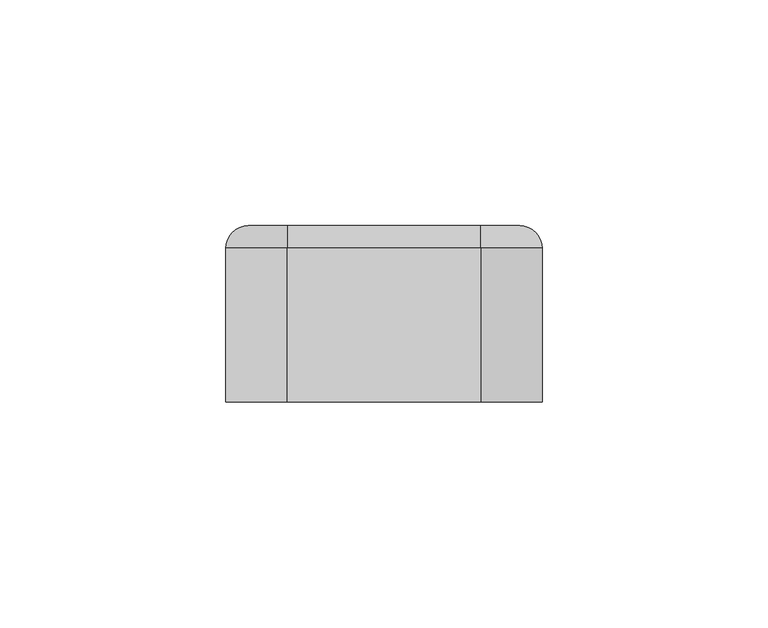
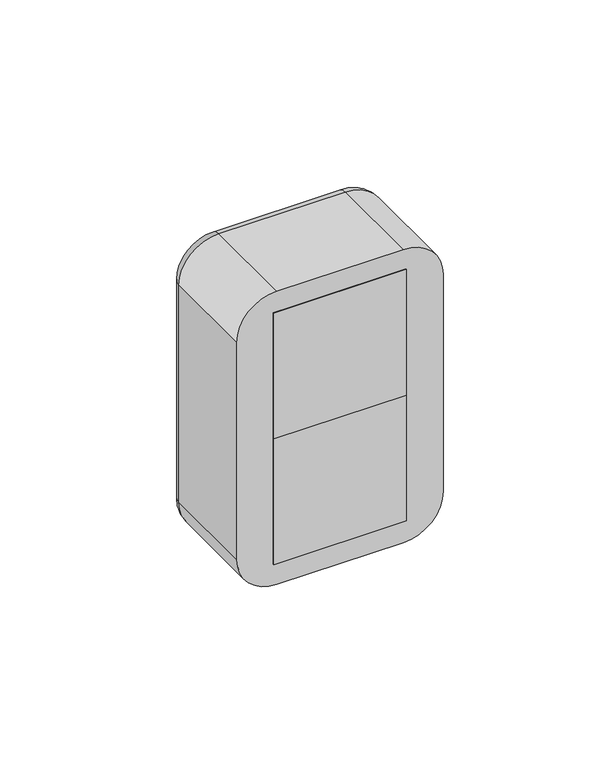
"""IFC4 building model written with IfcOpenShell, lengths in millimetres: proxy geometry."""

from ifc_helpers import new_model, si_unit, point, frame, frame_2d, origin, origin_with_axes, place, context, project, spatial, polyline, circle_curve, ellipse_curve, trimmed, segment, composite_curve, outline, extrude, source, transform, mapped, element, save
from ifc_brep_helpers import plane_surface, cylinder_surface, revolved_surface, advanced_brep


def electrical_fixtures_47eabe54(model_context):
    return source(origin(), model_context, "Body", "SolidModel", [
        advanced_brep(
        [(22.5, 39.0, 45.0), (22.5, 39.0, 0.0), (-22.5, 39.0, 0.0), (-22.5, 39.0, 45.0), (-18.0, 39.0, 22.5), (18.0, 39.0, 22.5), (22.5, 31.0, 45.0), (-22.5, 31.0, 45.0), (-22.5, 31.0, 0.0), (22.5, 31.0, 0.0), (-7.0, 31.0, 22.5), (-12.0, 31.0, 22.5), (12.0, 31.0, 22.5), (7.0, 31.0, 22.5), (-18.0, 32.0, 22.5), (18.0, 32.0, 22.5), (-12.0, 32.0, 22.5), (-7.0, 32.0, 22.5), (7.0, 32.0, 22.5), (12.0, 32.0, 22.5)],
        [
            (0, 1),
            (1, 2),
            (2, 3),
            (3, 0),
            (4, 5, circle_curve(frame((0.0, 39.0, 22.5), z_axis=(0.0, -1.0, 0.0), x_axis=(1.0, 0.0, 0.0)), 18.0)),
            (5, 4, circle_curve(frame((0.0, 39.0, 22.5), z_axis=(0.0, -1.0, 0.0), x_axis=(1.0, 0.0, 0.0)), 18.0)),
            (6, 7),
            (7, 8),
            (8, 9),
            (9, 6),
            (10, 11, circle_curve(frame((-9.5, 31.0, 22.5), z_axis=(0.0, 1.0, 0.0), x_axis=(1.0, 0.0, 0.0)), 2.5)),
            (11, 10, circle_curve(frame((-9.5, 31.0, 22.5), z_axis=(0.0, 1.0, 0.0), x_axis=(1.0, 0.0, 0.0)), 2.5)),
            (12, 13, circle_curve(frame((9.5, 31.0, 22.5), z_axis=(0.0, 1.0, 0.0), x_axis=(1.0, 0.0, 0.0)), 2.5)),
            (13, 12, circle_curve(frame((9.5, 31.0, 22.5), z_axis=(0.0, 1.0, 0.0), x_axis=(1.0, 0.0, 0.0)), 2.5)),
            (3, 7),
            (6, 0),
            (2, 8),
            (1, 9),
            (14, 15, circle_curve(frame((0.0, 32.0, 22.5), z_axis=(0.0, 1.0, 0.0), x_axis=(1.0, 0.0, 0.0)), 18.0)),
            (15, 14, circle_curve(frame((0.0, 32.0, 22.5), z_axis=(0.0, 1.0, 0.0), x_axis=(1.0, 0.0, 0.0)), 18.0)),
            (16, 17, circle_curve(frame((-9.5, 32.0, 22.5), z_axis=(0.0, -1.0, 0.0), x_axis=(1.0, 0.0, 0.0)), 2.5)),
            (17, 16, circle_curve(frame((-9.5, 32.0, 22.5), z_axis=(0.0, -1.0, 0.0), x_axis=(1.0, 0.0, 0.0)), 2.5)),
            (18, 19, circle_curve(frame((9.5, 32.0, 22.5), z_axis=(0.0, -1.0, 0.0), x_axis=(1.0, 0.0, 0.0)), 2.5)),
            (19, 18, circle_curve(frame((9.5, 32.0, 22.5), z_axis=(0.0, -1.0, 0.0), x_axis=(1.0, 0.0, 0.0)), 2.5)),
            (15, 5),
            (4, 14),
            (10, 17),
            (16, 11),
            (12, 19),
            (18, 13),
        ],
        [
            plane_surface(frame((-39.0, 39.0, 45.0), z_axis=(0.0, 1.0, 0.0), x_axis=(1.0, 0.0, 0.0))),
            plane_surface(frame((-39.0, 31.0, 45.0), z_axis=(0.0, -1.0, 0.0), x_axis=(-1.0, 0.0, 0.0))),
            plane_surface(frame((22.5, 31.0, 45.0), z_axis=(0.0, 0.0, 1.0), x_axis=(0.0, 1.0, 0.0))),
            plane_surface(frame((-22.5, 31.0, 45.0), z_axis=(-1.0, 0.0, 0.0), x_axis=(0.0, 1.0, 0.0))),
            plane_surface(frame((-22.5, 31.0, 0.0), z_axis=(0.0, 0.0, -1.0), x_axis=(0.0, 1.0, 0.0))),
            plane_surface(frame((22.5, 31.0, 0.0), z_axis=(1.0, 0.0, 0.0), x_axis=(0.0, 1.0, 0.0))),
            plane_surface(frame((18.0, 32.0, 22.5), z_axis=(0.0, 1.0, 0.0), x_axis=(0.0, 0.0, 1.0))),
            revolved_surface(polyline([(18.0, 32.0, 22.5), (18.0, 39.0, 22.5)]), (0.0, 39.0, 22.5), (0.0, -1.0, 0.0)),
            revolved_surface(polyline([(-7.0, 31.0, 22.5), (-7.0, 32.0, 22.5)]), (-9.5, 32.0, 22.5), (0.0, -1.0, 0.0)),
            revolved_surface(polyline([(12.0, 31.0, 22.5), (12.0, 32.0, 22.5)]), (9.5, 31.0, 22.5), (0.0, -1.0, 0.0)),
        ],
        [
            (0, [[1, 2, 3, 4], [5, 6]]),
            (1, [[7, 8, 9, 10], [11, 12], [13, 14]]),
            (2, [[-4, 15, -7, 16]]),
            (3, [[-3, 17, -8, -15]]),
            (4, [[-2, 18, -9, -17]]),
            (5, [[-1, -16, -10, -18]]),
            (6, [[19, 20], [21, 22], [23, 24]]),
            (7, [[-20, 25, -5, 26]]),
            (7, [[-19, -26, -6, -25]]),
            (8, [[27, -21, 28, -11]]),
            (8, [[-27, -12, -28, -22]]),
            (9, [[29, -23, 30, -13]]),
            (9, [[-29, -14, -30, -24]]),
        ],
    ),
        extrude(outline(polyline([(22.5, 0.0), (-22.5, 0.0), (-22.5, 31.0), (22.5, 31.0), (22.5, 0.0)])), origin_with_axes(), (0.0, 0.0, 1.0), 45.0),
        extrude(outline(composite_curve([segment(polyline([(6.5, -1.5), (4.5626089, -1.5)]), True, "CONTINUOUS"), segment(trimmed(circle_curve(frame_2d((22.5, 0.0)), 18.0), [point((4.5626089, -1.5))], [point((4.5626089, 1.5))], False, "CARTESIAN"), True, "CONTINUOUS"), segment(polyline([(4.5626089, 1.5), (6.5, 1.5), (6.5, -1.5)]), True, "CONTINUOUS")], self_intersect=False)), frame((0.0, 32.0, 0.0), z_axis=(0.0, 1.0, 0.0), x_axis=(0.0, 0.0, 1.0)), (0.0, 0.0, 1.0), 6.0),
        extrude(outline(composite_curve([segment(polyline([(38.5, -1.5), (38.5, 1.5), (40.4373911, 1.5)]), True, "CONTINUOUS"), segment(trimmed(circle_curve(frame_2d((22.5, 0.0)), 18.0), [point((40.4373911, 1.5))], [point((40.4373911, -1.5))], False, "CARTESIAN"), True, "CONTINUOUS"), segment(polyline([(40.4373911, -1.5), (38.5, -1.5)]), True, "CONTINUOUS")], self_intersect=False)), frame((0.0, 32.0, 0.0), z_axis=(0.0, 1.0, 0.0), x_axis=(0.0, 0.0, 1.0)), (0.0, 0.0, 1.0), 6.0),
        extrude(outline(composite_curve([segment(polyline([(30.7462113, 16.0), (24.5, 16.0), (24.5, 17.8885438)]), True, "CONTINUOUS"), segment(trimmed(circle_curve(frame_2d((22.5, 0.0)), 18.0), [point((24.5, 17.8885438))], [point((30.7462113, 16.0))], False, "CARTESIAN"), True, "CONTINUOUS")], self_intersect=False)), frame((0.0, 32.0, 0.0), z_axis=(0.0, 1.0, 0.0), x_axis=(0.0, 0.0, 1.0)), (0.0, 0.0, 1.0), 6.0),
        extrude(outline(composite_curve([segment(trimmed(circle_curve(frame_2d((22.5, 0.0)), 18.0), [point((14.2537887, 16.0))], [point((20.5, 17.8885438))], False, "CARTESIAN"), True, "CONTINUOUS"), segment(polyline([(20.5, 17.8885438), (20.5, 16.0), (14.2537887, 16.0)]), True, "CONTINUOUS")], self_intersect=False)), frame((0.0, 32.0, 0.0), z_axis=(0.0, 1.0, 0.0), x_axis=(0.0, 0.0, 1.0)), (0.0, 0.0, 1.0), 6.0),
        extrude(outline(composite_curve([segment(polyline([(14.2537887, -16.0), (20.5, -16.0), (20.5, -17.8885438)]), True, "CONTINUOUS"), segment(trimmed(circle_curve(frame_2d((22.5, 0.0)), 18.0), [point((20.5, -17.8885438))], [point((14.2537887, -16.0))], False, "CARTESIAN"), True, "CONTINUOUS")], self_intersect=False)), frame((0.0, 32.0, 0.0), z_axis=(0.0, 1.0, 0.0), x_axis=(0.0, 0.0, 1.0)), (0.0, 0.0, 1.0), 6.0),
        extrude(outline(composite_curve([segment(trimmed(circle_curve(frame_2d((22.5, 0.0)), 18.0), [point((30.7462113, -16.0))], [point((24.5, -17.8885438))], False, "CARTESIAN"), True, "CONTINUOUS"), segment(polyline([(24.5, -17.8885438), (24.5, -16.0), (30.7462113, -16.0)]), True, "CONTINUOUS")], self_intersect=False)), frame((0.0, 32.0, 0.0), z_axis=(0.0, 1.0, 0.0), x_axis=(0.0, 0.0, 1.0)), (0.0, 0.0, 1.0), 6.0),
        advanced_brep(
        [(22.5, 39.0, 0.0), (22.5, 39.0, -45.0), (-22.5, 39.0, -45.0), (-22.5, 39.0, 0.0), (-18.0, 39.0, -22.5), (18.0, 39.0, -22.5), (22.5, 31.0, 0.0), (-22.5, 31.0, 0.0), (-22.5, 31.0, -45.0), (22.5, 31.0, -45.0), (-7.0, 31.0, -22.5), (-12.0, 31.0, -22.5), (12.0, 31.0, -22.5), (7.0, 31.0, -22.5), (-18.0, 32.0, -22.5), (18.0, 32.0, -22.5), (-12.0, 32.0, -22.5), (-7.0, 32.0, -22.5), (7.0, 32.0, -22.5), (12.0, 32.0, -22.5)],
        [
            (0, 1),
            (1, 2),
            (2, 3),
            (3, 0),
            (4, 5, circle_curve(frame((0.0, 39.0, -22.5), z_axis=(0.0, -1.0, 0.0), x_axis=(1.0, 0.0, 0.0)), 18.0)),
            (5, 4, circle_curve(frame((0.0, 39.0, -22.5), z_axis=(0.0, -1.0, 0.0), x_axis=(1.0, 0.0, 0.0)), 18.0)),
            (6, 7),
            (7, 8),
            (8, 9),
            (9, 6),
            (10, 11, circle_curve(frame((-9.5, 31.0, -22.5), z_axis=(0.0, 1.0, 0.0), x_axis=(1.0, 0.0, 0.0)), 2.5)),
            (11, 10, circle_curve(frame((-9.5, 31.0, -22.5), z_axis=(0.0, 1.0, 0.0), x_axis=(1.0, 0.0, 0.0)), 2.5)),
            (12, 13, circle_curve(frame((9.5, 31.0, -22.5), z_axis=(0.0, 1.0, 0.0), x_axis=(1.0, 0.0, 0.0)), 2.5)),
            (13, 12, circle_curve(frame((9.5, 31.0, -22.5), z_axis=(0.0, 1.0, 0.0), x_axis=(1.0, 0.0, 0.0)), 2.5)),
            (3, 7),
            (6, 0),
            (2, 8),
            (1, 9),
            (14, 15, circle_curve(frame((0.0, 32.0, -22.5), z_axis=(0.0, 1.0, 0.0), x_axis=(1.0, 0.0, 0.0)), 18.0)),
            (15, 14, circle_curve(frame((0.0, 32.0, -22.5), z_axis=(0.0, 1.0, 0.0), x_axis=(1.0, 0.0, 0.0)), 18.0)),
            (16, 17, circle_curve(frame((-9.5, 32.0, -22.5), z_axis=(0.0, -1.0, 0.0), x_axis=(1.0, 0.0, 0.0)), 2.5)),
            (17, 16, circle_curve(frame((-9.5, 32.0, -22.5), z_axis=(0.0, -1.0, 0.0), x_axis=(1.0, 0.0, 0.0)), 2.5)),
            (18, 19, circle_curve(frame((9.5, 32.0, -22.5), z_axis=(0.0, -1.0, 0.0), x_axis=(1.0, 0.0, 0.0)), 2.5)),
            (19, 18, circle_curve(frame((9.5, 32.0, -22.5), z_axis=(0.0, -1.0, 0.0), x_axis=(1.0, 0.0, 0.0)), 2.5)),
            (15, 5),
            (4, 14),
            (10, 17),
            (16, 11),
            (12, 19),
            (18, 13),
        ],
        [
            plane_surface(frame((-39.0, 39.0, 0.0), z_axis=(0.0, 1.0, 0.0), x_axis=(1.0, 0.0, 0.0))),
            plane_surface(frame((-39.0, 31.0, 0.0), z_axis=(0.0, -1.0, 0.0), x_axis=(-1.0, 0.0, 0.0))),
            plane_surface(frame((22.5, 31.0, 0.0), z_axis=(0.0, 0.0, 1.0), x_axis=(0.0, 1.0, 0.0))),
            plane_surface(frame((-22.5, 31.0, 0.0), z_axis=(-1.0, 0.0, 0.0), x_axis=(0.0, 1.0, 0.0))),
            plane_surface(frame((-22.5, 31.0, -45.0), z_axis=(0.0, 0.0, -1.0), x_axis=(0.0, 1.0, 0.0))),
            plane_surface(frame((22.5, 31.0, -45.0), z_axis=(1.0, 0.0, 0.0), x_axis=(0.0, 1.0, 0.0))),
            plane_surface(frame((18.0, 32.0, -22.5), z_axis=(0.0, 1.0, 0.0), x_axis=(0.0, 0.0, 1.0))),
            revolved_surface(polyline([(18.0, 32.0, -22.5), (18.0, 39.0, -22.5)]), (0.0, 39.0, -22.5), (0.0, -1.0, 0.0)),
            revolved_surface(polyline([(-7.0, 31.0, -22.5), (-7.0, 32.0, -22.5)]), (-9.5, 32.0, -22.5), (0.0, -1.0, 0.0)),
            revolved_surface(polyline([(12.0, 31.0, -22.5), (12.0, 32.0, -22.5)]), (9.5, 31.0, -22.5), (0.0, -1.0, 0.0)),
        ],
        [
            (0, [[1, 2, 3, 4], [5, 6]]),
            (1, [[7, 8, 9, 10], [11, 12], [13, 14]]),
            (2, [[-4, 15, -7, 16]]),
            (3, [[-3, 17, -8, -15]]),
            (4, [[-2, 18, -9, -17]]),
            (5, [[-1, -16, -10, -18]]),
            (6, [[19, 20], [21, 22], [23, 24]]),
            (7, [[-20, 25, -5, 26]]),
            (7, [[-19, -26, -6, -25]]),
            (8, [[27, -21, 28, -11]]),
            (8, [[-27, -12, -28, -22]]),
            (9, [[29, -23, 30, -13]]),
            (9, [[-29, -14, -30, -24]]),
        ],
    ),
        extrude(outline(polyline([(22.5, 0.0), (-22.5, 0.0), (-22.5, 31.0), (22.5, 31.0), (22.5, 0.0)])), frame((0.0, 0.0, -45.0), z_axis=(0.0, 0.0, 1.0), x_axis=(1.0, 0.0, 0.0)), (0.0, 0.0, 1.0), 45.0),
        extrude(outline(composite_curve([segment(polyline([(-38.5, -1.5), (-40.4373911, -1.5)]), True, "CONTINUOUS"), segment(trimmed(circle_curve(frame_2d((-22.5, 0.0)), 18.0), [point((-40.4373911, -1.5))], [point((-40.4373911, 1.5))], False, "CARTESIAN"), True, "CONTINUOUS"), segment(polyline([(-40.4373911, 1.5), (-38.5, 1.5), (-38.5, -1.5)]), True, "CONTINUOUS")], self_intersect=False)), frame((0.0, 32.0, 0.0), z_axis=(0.0, 1.0, 0.0), x_axis=(0.0, 0.0, 1.0)), (0.0, 0.0, 1.0), 6.0),
        extrude(outline(composite_curve([segment(polyline([(-6.5, -1.5), (-6.5, 1.5), (-4.5626089, 1.5)]), True, "CONTINUOUS"), segment(trimmed(circle_curve(frame_2d((-22.5, 0.0)), 18.0), [point((-4.5626089, 1.5))], [point((-4.5626089, -1.5))], False, "CARTESIAN"), True, "CONTINUOUS"), segment(polyline([(-4.5626089, -1.5), (-6.5, -1.5)]), True, "CONTINUOUS")], self_intersect=False)), frame((0.0, 32.0, 0.0), z_axis=(0.0, 1.0, 0.0), x_axis=(0.0, 0.0, 1.0)), (0.0, 0.0, 1.0), 6.0),
        extrude(outline(composite_curve([segment(polyline([(-14.2537887, 16.0), (-20.5, 16.0), (-20.5, 17.8885438)]), True, "CONTINUOUS"), segment(trimmed(circle_curve(frame_2d((-22.5, 0.0)), 18.0), [point((-20.5, 17.8885438))], [point((-14.2537887, 16.0))], False, "CARTESIAN"), True, "CONTINUOUS")], self_intersect=False)), frame((0.0, 32.0, 0.0), z_axis=(0.0, 1.0, 0.0), x_axis=(0.0, 0.0, 1.0)), (0.0, 0.0, 1.0), 6.0),
        extrude(outline(composite_curve([segment(trimmed(circle_curve(frame_2d((-22.5, 0.0)), 18.0), [point((-30.7462113, 16.0))], [point((-24.5, 17.8885438))], False, "CARTESIAN"), True, "CONTINUOUS"), segment(polyline([(-24.5, 17.8885438), (-24.5, 16.0), (-30.7462113, 16.0)]), True, "CONTINUOUS")], self_intersect=False)), frame((0.0, 32.0, 0.0), z_axis=(0.0, 1.0, 0.0), x_axis=(0.0, 0.0, 1.0)), (0.0, 0.0, 1.0), 6.0),
        extrude(outline(composite_curve([segment(polyline([(-30.7462113, -16.0), (-24.5, -16.0), (-24.5, -17.8885438)]), True, "CONTINUOUS"), segment(trimmed(circle_curve(frame_2d((-22.5, 0.0)), 18.0), [point((-24.5, -17.8885438))], [point((-30.7462113, -16.0))], False, "CARTESIAN"), True, "CONTINUOUS")], self_intersect=False)), frame((0.0, 32.0, 0.0), z_axis=(0.0, 1.0, 0.0), x_axis=(0.0, 0.0, 1.0)), (0.0, 0.0, 1.0), 6.0),
        extrude(outline(composite_curve([segment(trimmed(circle_curve(frame_2d((-22.5, 0.0)), 18.0), [point((-14.2537887, -16.0))], [point((-20.5, -17.8885438))], False, "CARTESIAN"), True, "CONTINUOUS"), segment(polyline([(-20.5, -17.8885438), (-20.5, -16.0), (-14.2537887, -16.0)]), True, "CONTINUOUS")], self_intersect=False)), frame((0.0, 32.0, 0.0), z_axis=(0.0, 1.0, 0.0), x_axis=(0.0, 0.0, 1.0)), (0.0, 0.0, 1.0), 6.0),
        advanced_brep(
        [(21.4328665, 39.0, 47.5), (30.0, 39.0, 38.9328665), (30.0, 39.0, -38.9328665), (21.4328665, 39.0, -47.5), (-21.4328665, 39.0, -47.5), (-30.0, 39.0, -38.9328665), (-30.0, 39.0, 38.9328665), (-21.4328665, 39.0, 47.5), (22.5, 39.0, 45.0), (-22.5, 39.0, 45.0), (-22.5, 39.0, -45.0), (22.5, 39.0, -45.0), (-21.4328665, 0.0, 52.5), (-35.0, 0.0, 38.9328665), (-35.0, 0.0, -38.9328665), (-21.4328665, 0.0, -52.5), (21.4328665, 0.0, -52.5), (35.0, 0.0, -38.9328665), (35.0, 0.0, 38.9328665), (21.4328665, 0.0, 52.5), (22.5, 2.0, -45.0), (22.5, 2.0, 45.0), (-22.5, 2.0, -45.0), (-22.5, 2.0, 45.0), (-35.0, 34.0, 38.9328665), (-35.0, 34.0, -38.9328665), (-21.4328665, 34.0, -52.5), (21.4328665, 34.0, -52.5), (35.0, 34.0, -38.9328665), (35.0, 34.0, 38.9328665), (21.4328665, 34.0000072, 52.5), (-21.4328665, 34.0, 52.5)],
        [
            (0, 1, circle_curve(frame((21.4328665, 39.0, 38.9328665), z_axis=(0.0, 1.0, 0.0), x_axis=(0.0, 0.0, 1.0)), 8.5671335)),
            (1, 2),
            (2, 3, circle_curve(frame((21.4328665, 39.0, -38.9328665), z_axis=(0.0, 1.0, 0.0), x_axis=(1.0, 0.0, 0.0)), 8.5671335)),
            (3, 4),
            (4, 5, circle_curve(frame((-21.4328665, 39.0, -38.9328665), z_axis=(0.0, 1.0, 0.0), x_axis=(0.0, 0.0, -1.0)), 8.5671335)),
            (5, 6),
            (6, 7, circle_curve(frame((-21.4328665, 39.0, 38.9328665), z_axis=(0.0, 1.0, 0.0), x_axis=(-1.0, 0.0, 0.0)), 8.5671335)),
            (7, 0),
            (8, 9),
            (9, 10),
            (10, 11),
            (11, 8),
            (12, 13, circle_curve(frame((-21.4328665, 0.0, 38.9328665), z_axis=(0.0, -1.0, 0.0), x_axis=(1.0, 0.0, 0.0)), 13.5671335)),
            (13, 14),
            (14, 15, circle_curve(frame((-21.4328665, 0.0, -38.9328665), z_axis=(0.0, -1.0, 0.0), x_axis=(1.0, 0.0, 0.0)), 13.5671335)),
            (15, 16),
            (16, 17, circle_curve(frame((21.4328665, 0.0, -38.9328665), z_axis=(0.0, -1.0, 0.0), x_axis=(1.0, 0.0, 0.0)), 13.5671335)),
            (17, 18),
            (18, 19, circle_curve(frame((21.4328665, 0.0, 38.9328665), z_axis=(0.0, -1.0, 0.0), x_axis=(1.0, 0.0, 0.0)), 13.5671335)),
            (19, 12),
            (11, 20),
            (20, 21),
            (21, 8),
            (10, 22),
            (22, 20),
            (9, 23),
            (23, 22),
            (21, 23),
            (13, 24),
            (24, 25),
            (25, 14),
            (15, 26),
            (26, 27),
            (27, 16),
            (17, 28),
            (28, 29),
            (29, 18),
            (19, 30),
            (30, 31),
            (31, 12),
            (31, 24, circle_curve(frame((-21.4328665, 34.0, 38.9328665), z_axis=(0.0, -1.0, 0.0), x_axis=(1.0, 0.0, 0.0)), 13.5671335)),
            (25, 26, circle_curve(frame((-21.4328665, 34.0, -38.9328665), z_axis=(0.0, -1.0, 0.0), x_axis=(1.0, 0.0, 0.0)), 13.5671335)),
            (27, 28, circle_curve(frame((21.4328665, 34.0, -38.9328665), z_axis=(0.0, -1.0, 0.0), x_axis=(1.0, 0.0, 0.0)), 13.5671335)),
            (29, 30, circle_curve(frame((21.4328665, 34.0, 38.9328665), z_axis=(0.0, -1.0, 0.0), x_axis=(1.0, 0.0, 0.0)), 13.5671335)),
            (29, 1, circle_curve(frame((30.0, 34.0, 38.9328665), z_axis=(0.0, 0.0, 1.0), x_axis=(0.0, 1.0, 0.0)), 5.0)),
            (0, 30, circle_curve(frame((21.4328665, 34.0, 47.5), z_axis=(1.0, 0.0, 0.0), x_axis=(0.0, 1.0, 0.0)), 5.0)),
            (28, 2, circle_curve(frame((30.0, 34.0, -38.9328665), z_axis=(0.0, 0.0, 1.0), x_axis=(0.0, 1.0, 0.0)), 5.0)),
            (27, 3, circle_curve(frame((21.4328665, 34.0, -47.5), z_axis=(1.0, 0.0, 0.0), x_axis=(0.0, 1.0, 0.0)), 5.0)),
            (26, 4, circle_curve(frame((-21.4328665, 34.0, -47.5), z_axis=(1.0, 0.0, 0.0), x_axis=(0.0, 1.0, 0.0)), 5.0)),
            (25, 5, circle_curve(frame((-30.0, 34.0, -38.9328665), z_axis=(0.0, 0.0, -1.0), x_axis=(0.0, 1.0, 0.0)), 5.0)),
            (24, 6, circle_curve(frame((-30.0, 34.0, 38.9328665), z_axis=(0.0, 0.0, -1.0), x_axis=(0.0, 1.0, 0.0)), 5.0)),
            (31, 7, circle_curve(frame((-21.4328665, 34.0, 47.5), z_axis=(-1.0, 0.0, 0.0), x_axis=(0.0, 1.0, 0.0)), 5.0)),
        ],
        [
            plane_surface(frame((22.5, 39.0, 6.9412233), z_axis=(0.0, 1.0, 0.0), x_axis=(0.0, 0.0, 1.0))),
            plane_surface(frame((22.5, 0.0, 6.9412233), z_axis=(0.0, -1.0, 0.0), x_axis=(0.0, 0.0, -1.0))),
            plane_surface(frame((22.5, 0.0, 45.0), z_axis=(-1.0, 0.0, 0.0), x_axis=(0.0, 1.0, 0.0))),
            plane_surface(frame((22.5, 0.0, -45.0), z_axis=(0.0, 0.0, 1.0), x_axis=(0.0, 1.0, 0.0))),
            plane_surface(frame((-22.5, 0.0, -45.0), z_axis=(1.0, 0.0, 0.0), x_axis=(0.0, 1.0, 0.0))),
            plane_surface(frame((-22.5, 0.0, 45.0), z_axis=(0.0, 0.0, -1.0), x_axis=(0.0, 1.0, 0.0))),
            plane_surface(frame((-35.0, 0.0, 38.9328665), z_axis=(-1.0, 0.0, 0.0), x_axis=(0.0, 1.0, 0.0))),
            plane_surface(frame((-21.4328665, 0.0, -52.5), z_axis=(0.0, 0.0, -1.0), x_axis=(0.0, 1.0, 0.0))),
            plane_surface(frame((35.0, 0.0, -38.9328665), z_axis=(1.0, 0.0, 0.0), x_axis=(0.0, 1.0, 0.0))),
            plane_surface(frame((21.4328665, 0.0, 52.5), z_axis=(0.0, 0.0, 1.0), x_axis=(0.0, 1.0, 0.0))),
            cylinder_surface(frame((-21.4328665, 0.0, 38.9328665), z_axis=(0.0, -1.0, 0.0), x_axis=(1.0, 0.0, 0.0)), 13.5671335),
            cylinder_surface(frame((-21.4328665, 0.0, -38.9328665), z_axis=(0.0, -1.0, 0.0), x_axis=(1.0, 0.0, 0.0)), 13.5671335),
            cylinder_surface(frame((21.4328665, 0.0, -38.9328665), z_axis=(0.0, -1.0, 0.0), x_axis=(1.0, 0.0, 0.0)), 13.5671335),
            cylinder_surface(frame((21.4328665, 0.0, 38.9328665), z_axis=(0.0, -1.0, 0.0), x_axis=(1.0, 0.0, 0.0)), 13.5671335),
            plane_surface(frame((-22.5, 2.0, 22.5), z_axis=(0.0, 1.0, 0.0), x_axis=(0.0, 0.0, 1.0))),
            revolved_surface(trimmed(ellipse_curve(frame((21.4328665, 34.0, 47.5), z_axis=(-1.0, 0.0, 0.0), x_axis=(0.0, 1.0, 0.0)), 5.0, 5.0), [point((21.4328665, 34.0, 52.5))], [point((21.4328665, 39.0, 47.5))], True, "CARTESIAN"), (21.4328665, 39.0, 38.9328665), (0.0, 1.0, 0.0)),
            cylinder_surface(frame((30.0, 34.0, 38.9328665), z_axis=(0.0, 0.0, -1.0), x_axis=(0.0, 1.0, 0.0)), 5.0),
            revolved_surface(trimmed(ellipse_curve(frame((30.0, 34.0, -38.9328665), z_axis=(0.0, 0.0, 1.0), x_axis=(0.0, 1.0, 0.0)), 5.0, 5.0), [point((35.0, 34.0, -38.9328665))], [point((30.0, 39.0, -38.9328665))], True, "CARTESIAN"), (21.4328665, 39.0, -38.9328665), (0.0, 1.0, 0.0)),
            cylinder_surface(frame((21.4328665, 34.0, -47.5), z_axis=(-1.0, 0.0, 0.0), x_axis=(0.0, 1.0, 0.0)), 5.0),
            revolved_surface(trimmed(ellipse_curve(frame((-21.4328665, 34.0, -47.5), z_axis=(1.0, 0.0, 0.0), x_axis=(0.0, 1.0, 0.0)), 5.0, 5.0), [point((-21.4328665, 34.0, -52.5))], [point((-21.4328665, 39.0, -47.5))], True, "CARTESIAN"), (-21.4328665, 39.0, -38.9328665), (0.0, 1.0, 0.0)),
            cylinder_surface(frame((-30.0, 34.0, -38.9328665), z_axis=(0.0, 0.0, 1.0), x_axis=(0.0, 1.0, 0.0)), 5.0),
            revolved_surface(trimmed(ellipse_curve(frame((-30.0, 34.0, 38.9328665), z_axis=(0.0, 0.0, -1.0), x_axis=(0.0, 1.0, 0.0)), 5.0, 5.0), [point((-35.0, 34.0, 38.9328665))], [point((-30.0, 39.0, 38.9328665))], True, "CARTESIAN"), (-21.4328665, 39.0, 38.9328665), (0.0, 1.0, 0.0)),
            cylinder_surface(frame((-21.4328665, 34.0, 47.5), z_axis=(1.0, 0.0, 0.0), x_axis=(0.0, 1.0, 0.0)), 5.0),
        ],
        [
            (0, [[1, 2, 3, 4, 5, 6, 7, 8], [9, 10, 11, 12]]),
            (1, [[13, 14, 15, 16, 17, 18, 19, 20]]),
            (2, [[-12, 21, 22, 23]]),
            (3, [[-11, 24, 25, -21]]),
            (4, [[-10, 26, 27, -24]]),
            (5, [[-9, -23, 28, -26]]),
            (6, [[-14, 29, 30, 31]]),
            (7, [[-16, 32, 33, 34]]),
            (8, [[-18, 35, 36, 37]]),
            (9, [[-20, 38, 39, 40]]),
            (10, [[-13, -40, 41, -29]]),
            (11, [[-15, -31, 42, -32]]),
            (12, [[-17, -34, 43, -35]]),
            (13, [[-19, -37, 44, -38]]),
            (14, [[-22, -25, -27, -28]]),
            (15, [[45, -1, 46, -44]]),
            (16, [[-45, -36, 47, -2]]),
            (17, [[-47, -43, 48, -3]]),
            (18, [[-48, -33, 49, -4]]),
            (19, [[-49, -42, 50, -5]]),
            (20, [[-50, -30, 51, -6]]),
            (21, [[-51, -41, 52, -7]]),
            (22, [[-46, -8, -52, -39]]),
        ],
    ),
    ])


if __name__ == "__main__":
    model = new_model("IFC4")
    model_context = context("Model", 3, world=origin())
    ifc_project = project(units=[si_unit("LENGTHUNIT", "METRE", prefix="MILLI")], contexts=[model_context])
    site = spatial("IfcSite", under=ifc_project)
    building = spatial("IfcBuilding", under=site)
    placement = place(None, origin())
    electrical_fixtures_shape = electrical_fixtures_47eabe54(model_context)
    element("IfcBuildingElementProxy", 1, Name="Electrical Fixtures", at=placement, inside=building, context=model_context, shape_type="MappedRepresentation", body=[
        mapped(electrical_fixtures_shape, transform((0.0, 0.0, 0.0), x_axis=(1.0, 0.0, 0.0), y_axis=(0.0, 1.0, 0.0), z_axis=(0.0, 0.0, 1.0))),
    ])
    save(model, "model.ifc")
